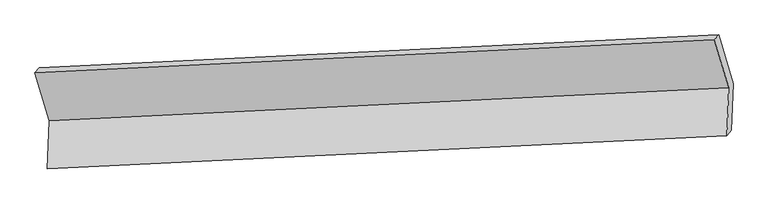
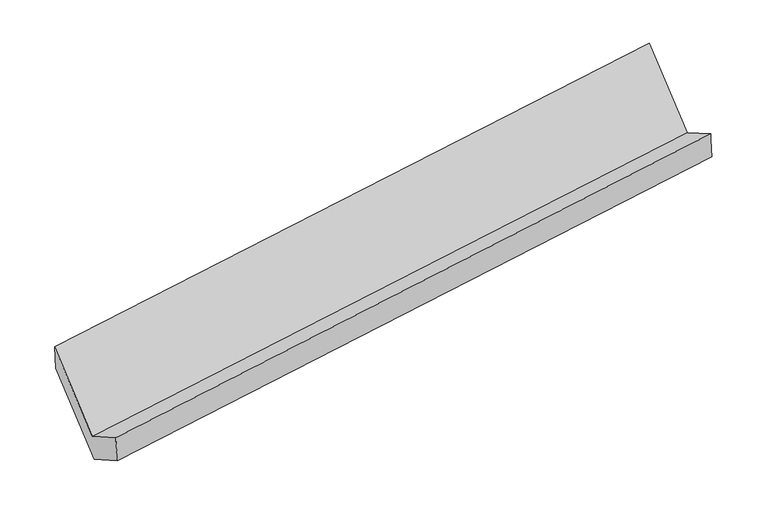
"""IFC4 building model written with IfcOpenShell, lengths in millimetres: proxy geometry."""

from ifc_helpers import new_model, si_unit, frame, origin, place, context, project, spatial, source, transform, mapped, element, save
from ifc_brep_helpers import plane_surface, spline_surface, advanced_brep


def generic_models_534b40dc(model_context):
    return source(origin(), model_context, "Body", "AdvancedBrep", [
        advanced_brep(
        [(-5213.0593382, -1636.1191703, 1434.287023), (-5225.522519, -1972.4429513, 1631.1009268), (-476.5007312, -1743.6167477, 2322.859021), (-464.0375504, -1407.2929667, 2126.0451173), (-5194.9940821, -1942.8465126, 1414.2466513), (-445.6526255, -1705.3939202, 2100.9566539), (-5182.5309013, -1606.5227316, 1217.4327475), (-433.5091136, -1377.696528, 1909.1908417), (-5284.1042545, -1266.2754384, 1792.4293657), (-535.0824667, -1037.4492348, 2484.1874599), (-5313.1296837, -1300.906606, 2000.7752646), (-564.1078959, -1072.0804024, 2692.5333588)],
        [
            (0, 1),
            (1, 2),
            (2, 3),
            (3, 0),
            (1, 4),
            (4, 5),
            (5, 2),
            (4, 6),
            (6, 7),
            (7, 5),
            (6, 8),
            (8, 9),
            (9, 7),
            (8, 10),
            (10, 11),
            (11, 9),
            (10, 0),
            (3, 11),
        ],
        [
            plane_surface(frame((-5219.2909286, -1804.2810608, 1532.6939749), z_axis=(-0.1482438208793985, 0.5035731111978351, 0.8511391726677898), x_axis=(-0.031966886860566944, -0.8626388767144663, 0.5048091585195813))),
            spline_surface(1, 1, [[(-5225.522519, -1972.4429513, 1631.1009268), (-476.5007312, -1743.6167477, 2322.859021)], [(-5194.9940821, -1942.8465126, 1414.2466513), (-445.6526255, -1705.3939202, 2100.9566539)]], [2, 2], [2, 2], [0.0, 1.0], [0.0, 1.0]),
            plane_surface(frame((-5188.7624917, -1774.6846221, 1315.8396994), z_axis=(0.14824382087940155, -0.5035731111978358, -0.8511391726677888), x_axis=(0.03196688686056687, 0.8626388767144657, -0.5048091585195821))),
            plane_surface(frame((-5233.3175779, -1436.399085, 1504.9310566), z_axis=(0.03196688686056854, 0.8626388767144624, -0.504809158519588), x_axis=(-0.15030076953627725, 0.5034728932618641, 0.8508376604425374))),
            plane_surface(frame((-5298.6169691, -1283.5910222, 1896.6023151), z_axis=(-0.06993288817322613, 0.9855803865266074, 0.1540801507197297), x_axis=(-0.13614842729510668, -0.1624430419412211, 0.9772798288463503))),
            plane_surface(frame((-5263.094511, -1468.5128882, 1717.5311438), z_axis=(-0.03196688686056643, -0.8626388767144665, 0.5048091585195811), x_axis=(0.15030076953627414, -0.5034728932618571, -0.8508376604425422))),
            plane_surface(frame((-486.4817306, -1390.5883, 2272.6287421), z_axis=(0.9881233712554564, 0.0486745737663833, 0.1457497480183511), x_axis=(-0.13614842729510668, -0.1624430419412211, 0.9772798288463503))),
            plane_surface(frame((-5235.5567965, -1620.8522351, 1581.7119965), z_axis=(-0.9881233712554556, -0.04867457376637935, -0.14574974801835708), x_axis=(-0.1503007695362773, 0.5034728932618567, 0.8508376604425417))),
        ],
        [
            (0, [[1, 2, 3, 4]]),
            (1, [[5, 6, 7, -2]]),
            (2, [[8, 9, 10, -6]]),
            (3, [[11, 12, 13, -9]]),
            (4, [[14, 15, 16, -12]]),
            (5, [[17, -4, 18, -15]]),
            (6, [[-16, -18, -3, -7, -10, -13]]),
            (7, [[-17, -14, -11, -8, -5, -1]]),
        ],
    ),
    ])


if __name__ == "__main__":
    model = new_model("IFC4")
    model_context = context("Model", 3, world=origin())
    ifc_project = project(units=[si_unit("LENGTHUNIT", "METRE", prefix="MILLI")], contexts=[model_context])
    site = spatial("IfcSite", under=ifc_project)
    building = spatial("IfcBuilding", under=site)
    placement = place(None, origin())
    generic_models_shape = generic_models_534b40dc(model_context)
    element("IfcBuildingElementProxy", 1, Name="Generic Models", at=placement, inside=building, context=model_context, shape_type="MappedRepresentation", body=[
        mapped(generic_models_shape, transform((0.0, 0.0, 0.0), x_axis=(1.0, 0.0, 0.0), y_axis=(0.0, 1.0, 0.0), z_axis=(0.0, 0.0, 1.0))),
    ])
    save(model, "model.ifc")
